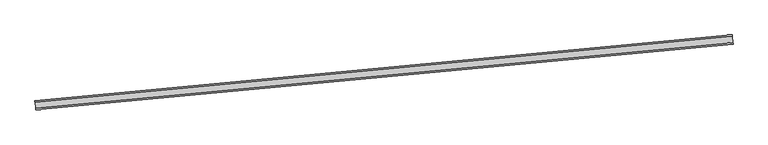
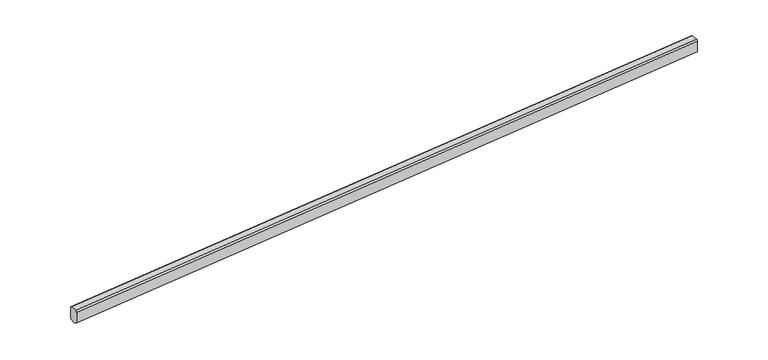
"""IFC4 building model written with IfcOpenShell, lengths in millimetres: railing geometry."""

import ifcopenshell
import ifcopenshell.guid

model = None  # the IFC model being written
_history = None  # IfcOwnerHistory: only IFC2X3 demands one
_inside = {}  # id of a spatial element -> (the spatial element, [elements in it])
_under = {}  # id of a project, library or spatial element -> (it, [spatial elements below it])
_declared = {}  # id of a project -> (the project, [libraries it declares])
_typed = {}  # id of a type object -> (the type object, [elements of that type])
_made_of = {}  # id of a material, layer set ... -> (it, [elements and type objects made of it])


def new_model(schema):
    """Start an empty IFC model of exactly this schema.

    Asked for "IFC4X3", IfcOpenShell would pick the latest addendum, in which some entities
    have other attributes; the version numbers below select the first issue.
    IFC2X3 requires an IfcOwnerHistory on every rooted entity: one is made here for all.
    """
    global model, _history
    if schema == "IFC4X3":
        model = ifcopenshell.file(schema_version=(4, 3, 0, 0))
    else:
        model = ifcopenshell.file(schema=schema)
    _inside.clear()
    _under.clear()
    _declared.clear()
    _typed.clear()
    _made_of.clear()
    _history = None
    if model.schema == "IFC2X3":
        org = make("IfcOrganization", Name="unknown")
        user = make(
            "IfcPersonAndOrganization",
            ThePerson=make("IfcPerson", FamilyName="unknown"),
            TheOrganization=org,
        )
        app = make(
            "IfcApplication",
            ApplicationDeveloper=org,
            Version="unknown",
            ApplicationFullName="unknown",
            ApplicationIdentifier="unknown",
        )
        _history = make(
            "IfcOwnerHistory",
            OwningUser=user,
            OwningApplication=app,
            ChangeAction="ADDED",
            CreationDate=0,
        )
    return model


def make(cls, **values):
    """One entity of the class cls with the attributes given. An attribute that is None is left unset."""
    return model.create_entity(
        cls, **{name: value for name, value in values.items() if value is not None}
    )


def rooted(cls, **values):
    """An entity with a GlobalId (a new one), such as an element, a storey or a relation."""
    return make(cls, GlobalId=ifcopenshell.guid.new(), OwnerHistory=_history, **values)


def si_unit(unit_type, name, prefix=None):
    """IfcSIUnit, for example si_unit("LENGTHUNIT", "METRE", prefix="MILLI")."""
    return make("IfcSIUnit", UnitType=unit_type, Prefix=prefix, Name=name)


def assignment(units):
    """IfcUnitAssignment: the units of a project."""
    return None if units is None else make("IfcUnitAssignment", Units=units)


def point(xyz):
    """IfcCartesianPoint."""
    return None if xyz is None else make("IfcCartesianPoint", Coordinates=xyz)


def direction(xyz):
    """IfcDirection."""
    return None if xyz is None else make("IfcDirection", DirectionRatios=xyz)


def frame(location, z_axis=None, x_axis=None):
    """IfcAxis2Placement3D, a coordinate frame: its origin and axes. An axis left out is left unset."""
    return make(
        "IfcAxis2Placement3D",
        Location=point(location),
        Axis=direction(z_axis),
        RefDirection=direction(x_axis),
    )


def origin():
    """The frame at (0, 0, 0) with its axes left unset."""
    return frame((0.0, 0.0, 0.0))


def place(relative_to, where):
    """IfcLocalPlacement: puts the frame where relative to a parent placement (None: the world)."""
    return make(
        "IfcLocalPlacement", PlacementRelTo=relative_to, RelativePlacement=where
    )


def context(
    kind, dimensions, precision=None, world=None, true_north=None, identifier=None
):
    """IfcGeometricRepresentationContext, for example the 3D "Model" context."""
    return make(
        "IfcGeometricRepresentationContext",
        ContextIdentifier=identifier,
        ContextType=kind,
        CoordinateSpaceDimension=dimensions,
        Precision=precision,
        WorldCoordinateSystem=world,
        TrueNorth=true_north,
    )


def project(units=None, contexts=None):
    """IfcProject with its units and contexts."""
    return rooted(
        "IfcProject",
        Name="project",
        RepresentationContexts=contexts,
        UnitsInContext=assignment(units),
    )


def spatial(cls, under=None, at=None, **own):
    """A site, building, storey or space (cls), placed at a placement, below another one or the project."""
    s = rooted(cls, ObjectPlacement=at, **own)
    if under is not None:
        _under.setdefault(under.id(), (under, []))[1].append(s)
    return s


def ellipse_curve(where, semi_axis1, semi_axis2):
    """IfcEllipse in the frame where."""
    return make(
        "IfcEllipse", Position=where, SemiAxis1=semi_axis1, SemiAxis2=semi_axis2
    )


def shape(context_of_items, identifier, shape_type, items):
    """IfcShapeRepresentation: the items that make up one representation, for example the "Body"."""
    return make(
        "IfcShapeRepresentation",
        ContextOfItems=context_of_items,
        RepresentationIdentifier=identifier,
        RepresentationType=shape_type,
        Items=items,
    )


def source(mapping_origin, context_of_items, identifier, shape_type, items):
    """IfcRepresentationMap: a shape defined once, which mapped items show again and again."""
    return make(
        "IfcRepresentationMap",
        MappingOrigin=mapping_origin,
        MappedRepresentation=shape(context_of_items, identifier, shape_type, items),
    )


def transform(
    local_origin,
    x_axis=None,
    y_axis=None,
    z_axis=None,
    scale=None,
    scale2=None,
    scale3=None,
    uniform=True,
):
    """IfcCartesianTransformationOperator3D, or its non-uniform kind. x_axis, y_axis, z_axis: its Axis1, 2, 3."""
    if uniform:
        return make(
            "IfcCartesianTransformationOperator3D",
            Axis1=direction(x_axis),
            Axis2=direction(y_axis),
            LocalOrigin=point(local_origin),
            Scale=scale,
            Axis3=direction(z_axis),
        )
    return make(
        "IfcCartesianTransformationOperator3DnonUniform",
        Axis1=direction(x_axis),
        Axis2=direction(y_axis),
        LocalOrigin=point(local_origin),
        Scale=scale,
        Axis3=direction(z_axis),
        Scale2=scale2,
        Scale3=scale3,
    )


def mapped(mapping_source, mapping_target):
    """IfcMappedItem: shows the shape of a source again, moved by a transform."""
    return make(
        "IfcMappedItem", MappingSource=mapping_source, MappingTarget=mapping_target
    )


def made_of(thing, what):
    """Note that an element or type object is made of a material, layer set ...; save() writes the relation."""
    if what is not None:
        _made_of.setdefault(what.id(), (what, []))[1].append(thing)
    return thing


def element(
    cls,
    number,
    at=None,
    inside=None,
    cuts=None,
    type_object=None,
    material=None,
    context=None,
    identifier="Body",
    shape_type=None,
    held_by="IfcProductDefinitionShape",
    body=None,
    shapes=None,
    **own,
):
    """One element of the class cls, such as IfcWall. Its Tag is "e" and its number.

    at: its placement. inside: the storey or other place that contains it. cuts: it is an
    opening in that element (IfcRelVoidsElement). A single representation is given by context,
    identifier, shape_type and body (its items); several are given by shapes. held_by: the class
    of the entity that holds the representations. save() writes the other relations.
    """
    e = rooted(cls, Tag="e%d" % number, ObjectPlacement=at, **own)
    if body is not None:
        shapes = [shape(context, identifier, shape_type, body)]
    if shapes is not None:
        e.Representation = make(held_by, Representations=shapes)
    if inside is not None:
        _inside.setdefault(inside.id(), (inside, []))[1].append(e)
    if cuts is not None:
        rooted(
            "IfcRelVoidsElement", RelatingBuildingElement=cuts, RelatedOpeningElement=e
        )
    if type_object is not None:
        _typed.setdefault(type_object.id(), (type_object, []))[1].append(e)
    return made_of(e, material)


def aggregate(whole, parts):
    """IfcRelAggregates: a whole, such as a stair, and the parts it consists of."""
    return rooted("IfcRelAggregates", RelatingObject=whole, RelatedObjects=parts)


def save(model, path):
    """Write the relations noted so far, then the file.

    IfcRelAggregates (storeys below a building ...), IfcRelContainedInSpatialStructure (elements
    in a storey), IfcRelDefinesByType, IfcRelAssociatesMaterial and IfcRelDeclares: one each for
    every whole, place, type object, material and project.
    """
    for whole, parts in _under.values():
        aggregate(whole, parts)
    for where, things in _inside.values():
        rooted(
            "IfcRelContainedInSpatialStructure",
            RelatedElements=things,
            RelatingStructure=where,
        )
    for kind, things in _typed.values():
        rooted("IfcRelDefinesByType", RelatedObjects=things, RelatingType=kind)
    for what, things in _made_of.values():
        rooted("IfcRelAssociatesMaterial", RelatedObjects=things, RelatingMaterial=what)
    for by, libraries in _declared.values():
        rooted("IfcRelDeclares", RelatingContext=by, RelatedDefinitions=libraries)
    model.write(path)


def plane_surface(at):
    """IfcPlane: the flat surface through the origin of the frame at, square to its z axis."""
    return make("IfcPlane", Position=at)


def cylinder_surface(at, radius):
    """IfcCylindricalSurface: all points at the distance radius from the z axis of the frame at."""
    return make("IfcCylindricalSurface", Position=at, Radius=radius)


def advanced_brep(points, edges, surfaces, faces):
    """IfcAdvancedBrep: a solid bounded by faces that lie on surfaces and meet in shared edges.

    An edge is (start, end): straight between two places in points (the first is 0);
    or (start, end, curve); or (start, end, curve, False) where it runs against its curve.
    A face is (place in surfaces, loops), or (place, loops, False) where it looks against
    its surface's normal. A loop lists edges by number (the first is 1), with a minus sign
    where the edge is run from its end to its start. The first loop is the outer one.
    """
    corners = [point(p) for p in points]
    vertices = [make("IfcVertexPoint", VertexGeometry=c) for c in corners]
    made = []
    for start, end, *more in edges:
        made.append(
            make(
                "IfcEdgeCurve",
                EdgeStart=vertices[start],
                EdgeEnd=vertices[end],
                EdgeGeometry=more[0] if more else make("IfcPolyline", Points=[corners[start], corners[end]]),
                SameSense=more[1] if len(more) > 1 else True,
            )
        )
    hull = []
    for where, loops, *sense in faces:
        bounds = []
        for j, loop in enumerate(loops):
            ring = [make("IfcOrientedEdge", EdgeElement=made[abs(k) - 1], Orientation=k > 0) for k in loop]
            bounds.append(
                make(
                    "IfcFaceOuterBound" if j == 0 else "IfcFaceBound",
                    Bound=make("IfcEdgeLoop", EdgeList=ring),
                    Orientation=True,
                )
            )
        hull.append(make("IfcAdvancedFace", Bounds=bounds, FaceSurface=surfaces[where], SameSense=sense[0] if sense else True))
    return make("IfcAdvancedBrep", Outer=make("IfcClosedShell", CfsFaces=hull))


def railing_8dd5e835(model_context):
    return source(origin(), model_context, "Body", "AdvancedBrep", [
        advanced_brep(
        [(111292.601595, 11069.687364, 15699.9738145), (111320.7961062, 10771.0151866, 15699.9738145), (111327.844734, 10696.3471423, 15624.9407652), (111327.844734, 10696.3471423, 15049.6873874), (111310.9280273, 10875.5504487, 14949.6433217), (111302.4696739, 10965.1521019, 14949.6433217), (111285.5529672, 11144.3554083, 15049.6873874), (111285.5529672, 11144.3554083, 15624.9407652), (77301.514087, 7860.9449004, 14686.2848799), (77294.4654592, 7935.6129448, 14611.2518306), (77294.4654592, 7935.6129448, 14035.9984528), (77311.3821659, 7756.4096384, 13935.9543871), (77319.8405193, 7666.8079852, 13935.9543871), (77336.757226, 7487.6046787, 14035.9984528), (77336.757226, 7487.6046787, 14611.2518306), (77329.7085982, 7562.2727231, 14686.2848799)],
        [
            (0, 1),
            (1, 2, ellipse_curve(frame((111320.7961062, 10771.0151866, 15624.9407652), z_axis=(0.9955739245776714, 0.09398170407591669, 0.0), x_axis=(0.0, 0.0, 1.0)), 75.0330493, 75.0)),
            (2, 3),
            (3, 4),
            (4, 5),
            (5, 6),
            (6, 7),
            (7, 0, ellipse_curve(frame((111292.601595, 11069.687364, 15624.9407652), z_axis=(0.9955739245776714, 0.09398170407591669, 0.0), x_axis=(0.0, 0.0, 1.0)), 75.0330493, 75.0)),
            (8, 9, ellipse_curve(frame((77301.514087, 7860.9449004, 14611.2518306), z_axis=(-0.9955739245776714, -0.09398170407591669, 0.0), x_axis=(0.0, 0.0, 1.0)), 75.0330493, 75.0)),
            (9, 10),
            (10, 11),
            (11, 12),
            (12, 13),
            (13, 14),
            (14, 15, ellipse_curve(frame((77329.7085982, 7562.2727231, 14611.2518306), z_axis=(-0.9955739245776714, -0.09398170407591669, 0.0), x_axis=(0.0, 0.0, 1.0)), 75.0330493, 75.0)),
            (15, 8),
            (0, 8),
            (15, 1),
            (14, 2),
            (13, 3),
            (12, 4),
            (11, 5),
            (10, 6),
            (9, 7),
        ],
        [
            plane_surface(frame((111305.970749, 10928.0642547, 15699.9738145), z_axis=(0.9955739245776714, 0.09398170407591669, 0.0), x_axis=(0.09398170407591669, -0.9955739245776714, 0.0))),
            plane_surface(frame((77314.883241, 7719.3217912, 14686.2848799), z_axis=(-0.9955739245776714, -0.09398170407591669, 0.0), x_axis=(0.09398170407591669, -0.9955739245776714, 0.0))),
            plane_surface(frame((111292.601595, 11069.687364, 15699.9738145), z_axis=(-0.029545771862409347, -0.002789106784858212, 0.9995595371204246), x_axis=(-0.9951354112200216, -0.09394030862391202, -0.02967712505622608))),
            cylinder_surface(frame((111323.0120391, 10771.2243696, 15625.0068492), z_axis=(0.9951354112200216, 0.09394030862391198, 0.029677125056226075), x_axis=(-0.09398170407591667, 0.9955739245776714, 0.0)), 75.0),
            plane_surface(frame((111327.844734, 10696.3471423, 15624.9407652), z_axis=(0.0939817040759167, -0.9955739245776715, 0.0), x_axis=(-0.9951354112200216, -0.09394030862391199, -0.02967712505622607))),
            plane_surface(frame((111327.844734, 10696.3471423, 15049.6873874), z_axis=(0.07146920169674134, -0.4810553209470286, -0.873772242290508), x_axis=(-0.9951354112200216, -0.09394030862391196, -0.02967712505622607))),
            plane_surface(frame((111310.9280273, 10875.5504487, 14949.6433217), z_axis=(0.029545771862409347, 0.002789106784858212, -0.9995595371204246), x_axis=(-0.9951354112200216, -0.09394030862391199, -0.02967712505622608))),
            plane_surface(frame((111302.4696739, 10965.1521019, 14949.6433217), z_axis=(-0.019813898792435915, 0.48593155692675205, -0.8737722422905102), x_axis=(-0.9951354112200216, -0.09394030862391199, -0.02967712505622607))),
            plane_surface(frame((111285.5529672, 11144.3554083, 15049.6873874), z_axis=(-0.09398170407591674, 0.9955739245776716, 0.0), x_axis=(-0.9951354112200216, -0.09394030862391202, -0.02967712505622608))),
            cylinder_surface(frame((111294.8175279, 11069.896547, 15625.0068492), z_axis=(0.9951354112200216, 0.09394030862391198, 0.029677125056226075), x_axis=(-0.09398170407591667, 0.9955739245776714, 0.0)), 75.0),
        ],
        [
            (0, [[1, 2, 3, 4, 5, 6, 7, 8]]),
            (1, [[9, 10, 11, 12, 13, 14, 15, 16]]),
            (2, [[-1, 17, -16, 18]]),
            (3, [[-2, -18, -15, 19]]),
            (4, [[-3, -19, -14, 20]]),
            (5, [[-4, -20, -13, 21]]),
            (6, [[-5, -21, -12, 22]]),
            (7, [[-6, -22, -11, 23]]),
            (8, [[-7, -23, -10, 24]]),
            (9, [[-8, -24, -9, -17]]),
        ],
    ),
    ])


if __name__ == "__main__":
    model = new_model("IFC4")
    model_context = context("Model", 3, world=origin())
    ifc_project = project(units=[si_unit("LENGTHUNIT", "METRE", prefix="MILLI")], contexts=[model_context])
    site = spatial("IfcSite", under=ifc_project)
    building = spatial("IfcBuilding", under=site)
    placement = place(None, origin())
    railing_shape = railing_8dd5e835(model_context)
    element("IfcRailing", 1, at=placement, inside=building, context=model_context, shape_type="MappedRepresentation", body=[
        mapped(railing_shape, transform((0.0, 0.0, 0.0), x_axis=(1.0, 0.0, 0.0), y_axis=(0.0, 1.0, 0.0), z_axis=(0.0, 0.0, 1.0))),
    ])
    save(model, "model.ifc")
